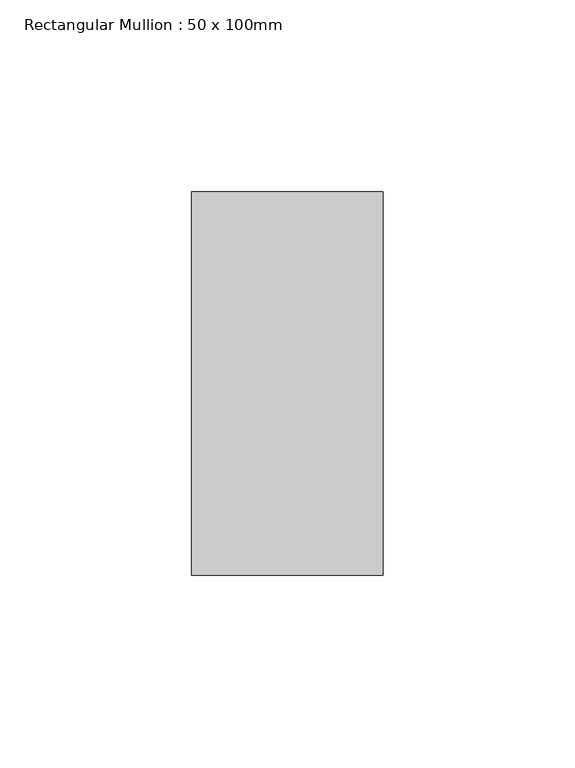
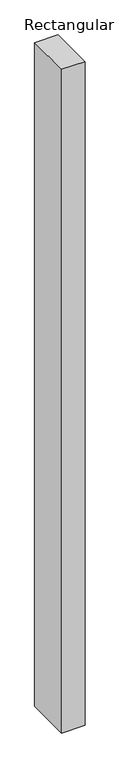
"""IFC4 building model written with IfcOpenShell, lengths in millimetres: member geometry, Rectangular Mullion : 50 x 100mm."""

from ifc_helpers import new_model, si_unit, frame, origin, place, context, project, spatial, polyline, outline, extrude, source, transform, mapped, element, save


def rectangular_mullion_50_x_100mm_c0600e94(model_context):
    return source(origin(), model_context, "Body", "SweptSolid", [
        extrude(outline(polyline([(25.0, 50.0), (25.0, -50.0), (-25.0, -50.0), (-25.0, 50.0), (25.0, 50.0)])), frame((0.0, 0.0, -1500.0), z_axis=(0.0, 0.0, 1.0), x_axis=(1.0, 0.0, 0.0)), (0.0, 0.0, 1.0), 1500.0),
    ])


if __name__ == "__main__":
    model = new_model("IFC4")
    model_context = context("Model", 3, world=origin())
    ifc_project = project(units=[si_unit("LENGTHUNIT", "METRE", prefix="MILLI")], contexts=[model_context])
    site = spatial("IfcSite", under=ifc_project)
    building = spatial("IfcBuilding", under=site)
    placement = place(None, origin())
    rectangular_mullion_50_x_100mm_shape = rectangular_mullion_50_x_100mm_c0600e94(model_context)
    element("IfcMember", 1, ObjectType="Rectangular Mullion : 50 x 100mm", at=placement, inside=building, context=model_context, shape_type="MappedRepresentation", body=[
        mapped(rectangular_mullion_50_x_100mm_shape, transform((0.0, 0.0, 0.0), x_axis=(1.0, 0.0, 0.0), y_axis=(0.0, 1.0, 0.0), z_axis=(0.0, 0.0, 1.0))),
    ])
    save(model, "model.ifc")
